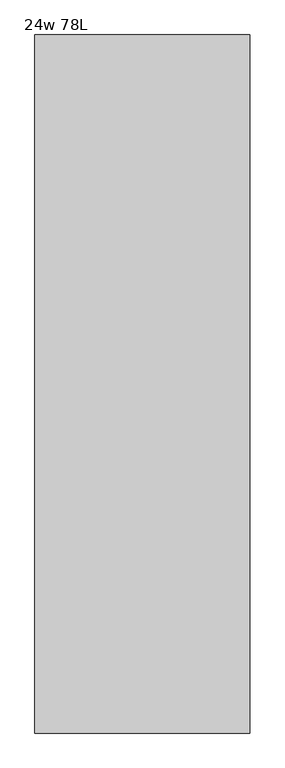
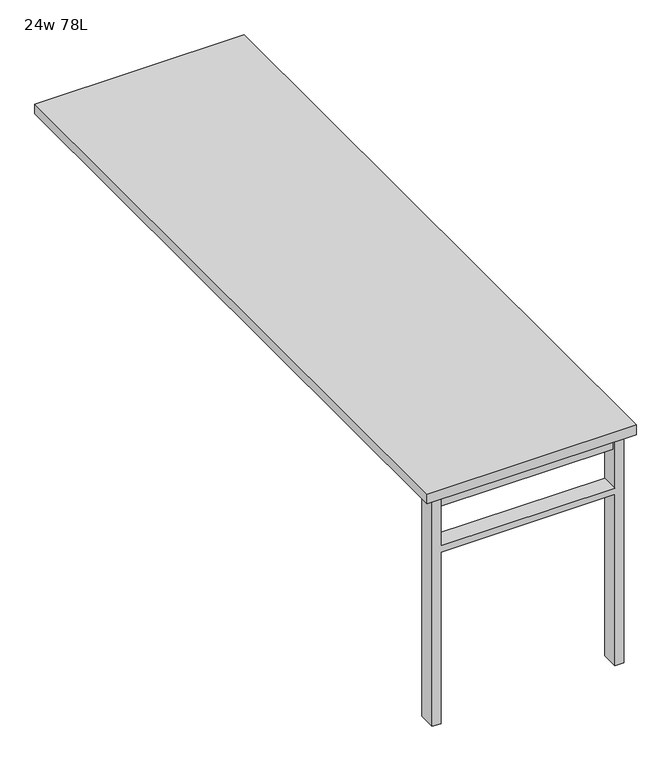
"""IFC4 building model written with IfcOpenShell, lengths in millimetres: furniture geometry, 24w 78L."""

from ifc_helpers import new_model, si_unit, frame, origin, place, context, project, spatial, polyline, outline, extrude, source, transform, mapped, element, save


def furniture_24w_78l_dc3bb666(model_context):
    return source(origin(), model_context, "Body", "SweptSolid", [
        extrude(outline(polyline([(-254.0, -930.275), (254.0, -930.275), (254.0, -962.025), (-254.0, -962.025), (-254.0, -930.275)])), frame((0.0, 0.0, 661.9875), z_axis=(0.0, 0.0, 1.0), x_axis=(1.0, 0.0, 0.0)), (0.0, 0.0, 1.0), 44.45),
        extrude(outline(polyline([(528.6375, 254.0), (0.0, 254.0), (0.0, 279.4), (706.4375, 279.4), (706.4375, 254.0), (547.6875, 254.0), (547.6875, -254.0), (706.4375, -254.0), (706.4375, -279.4), (0.0, -279.4), (0.0, -254.0), (528.6375, -254.0), (528.6375, 254.0)])), frame((0.0, -971.55, 0.0), z_axis=(0.0, 1.0, 0.0), x_axis=(0.0, 0.0, 1.0)), (0.0, 0.0, 1.0), 50.8),
        extrude(outline(polyline([(-304.8, -990.6), (-304.8, 990.6), (304.8, 990.6), (304.8, -990.6), (-304.8, -990.6)])), frame((0.0, 0.0, 706.4375), z_axis=(0.0, 0.0, 1.0), x_axis=(1.0, 0.0, 0.0)), (0.0, 0.0, 1.0), 30.1625),
    ])


if __name__ == "__main__":
    model = new_model("IFC4")
    model_context = context("Model", 3, world=origin())
    ifc_project = project(units=[si_unit("LENGTHUNIT", "METRE", prefix="MILLI")], contexts=[model_context])
    site = spatial("IfcSite", under=ifc_project)
    building = spatial("IfcBuilding", under=site)
    placement = place(None, origin())
    furniture_24w_78l_shape = furniture_24w_78l_dc3bb666(model_context)
    element("IfcFurniture", 1, ObjectType="24w 78L", at=placement, inside=building, context=model_context, shape_type="MappedRepresentation", body=[
        mapped(furniture_24w_78l_shape, transform((0.0, 0.0, 0.0), x_axis=(1.0, 0.0, 0.0), y_axis=(0.0, 1.0, 0.0), z_axis=(0.0, 0.0, 1.0))),
    ])
    save(model, "model.ifc")
